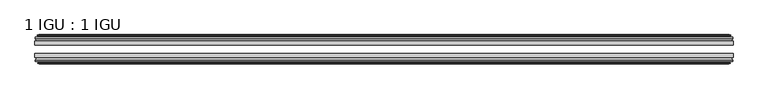
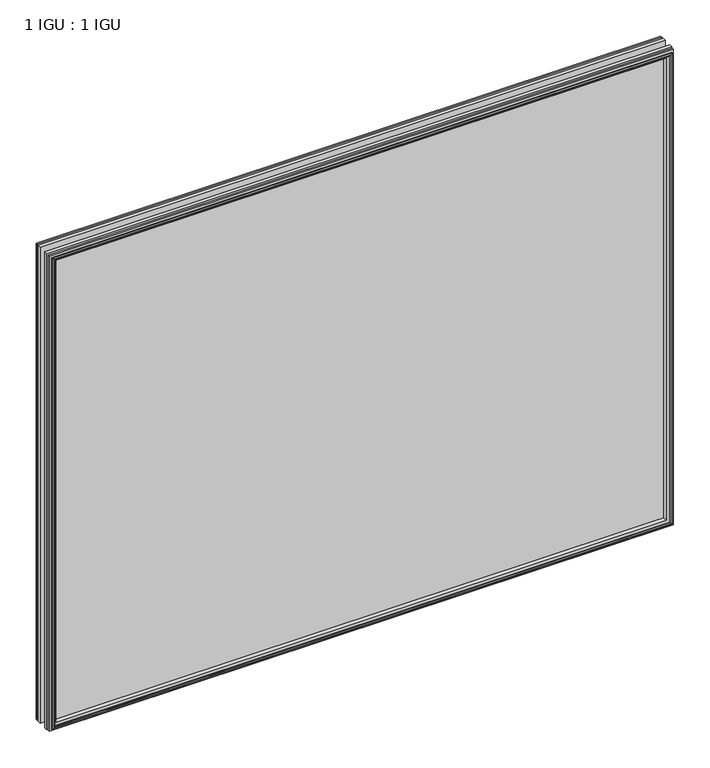
"""IFC4 building model written with IfcOpenShell, lengths in millimetres: plate geometry, 1 IGU : 1 IGU."""

from ifc_helpers import new_model, si_unit, frame, origin, place, context, project, spatial, polyline, outline, extrude, faceted_brep, source, transform, mapped, element, save


def plate_1_igu_1_igu_97aea027(model_context):
    return source(origin(), model_context, "Body", "SolidModel", [
        extrude(outline(polyline([(536.0633952, -19.5460937), (536.0633952, -25.8960938), (-536.0633952, -25.8960938), (-536.0633952, -19.5460937), (536.0633952, -19.5460937)])), frame((0.0, 0.0, -12.7), z_axis=(0.0, 0.0, 1.0), x_axis=(1.0, 0.0, 0.0)), (0.0, 0.0, 1.0), 863.6104046),
        extrude(outline(polyline([(-536.0633952, -44.9460938), (-536.0633952, -38.9186737), (536.0633952, -38.9186737), (536.0633952, -44.9460938), (-536.0633952, -44.9460938)])), frame((0.0, 0.0, -12.7), z_axis=(0.0, 0.0, 1.0), x_axis=(1.0, 0.0, 0.0)), (0.0, 0.0, 1.0), 863.6104046),
        faceted_brep([(-530.4753952, -53.6762907, 845.3224046), (-530.8563952, -51.2960937, 845.7034046), (-530.8563952, -51.2960937, -7.493), (-530.4753952, -53.6762907, -7.112), (-531.8909242, -53.2163575, 846.7379337), (-531.8909242, -53.2163575, -8.5275291), (-531.8909242, -54.0175717, 846.7379337), (-531.8909242, -54.0175717, -8.5275291), (-529.7133952, -54.7250937, 844.5604046), (-529.7133952, -54.7250937, -6.35), (-527.5358661, -54.0175717, 842.3828756), (-527.5358661, -54.0175717, -4.1724709), (-527.5358661, -53.2163575, 842.3828756), (-527.5358661, -53.2163575, -4.1724709), (-528.9513952, -53.6762907, 843.7984046), (-528.9513952, -53.6762907, -5.588), (-528.5703952, -51.2960937, 843.4174046), (-528.5703952, -51.2960937, -5.207), (-521.6456771, -44.9460937, 836.4926865), (-523.3633952, -51.2960937, 838.2104046), (-523.3633952, -51.2960937, 0.0), (-521.6456771, -44.9460937, 1.7177181), (-535.3013952, -48.3496937, 850.1484046), (-532.467053, -44.9460937, 847.3140624), (-532.467053, -44.9460937, -9.1036578), (-535.3013952, -48.3496937, -11.938), (-535.3013952, -51.2960937, 850.1484046), (-535.3013952, -51.2960937, -11.938), (530.8563952, -51.2960938, -7.493), (530.4753952, -53.6762907, -7.112), (531.8909242, -53.2163575, -8.5275291), (531.8909242, -54.0175717, -8.5275291), (529.7133952, -54.7250937, -6.35), (527.5358661, -54.0175717, -4.1724709), (527.5358661, -53.2163575, -4.1724709), (528.9513952, -53.6762907, -5.588), (528.5703952, -51.2960937, -5.207), (523.3633952, -51.2960937, 0.0), (521.6456771, -44.9460937, 1.7177181), (532.467053, -44.9460937, -9.1036578), (535.3013952, -48.3496937, -11.938), (535.3013952, -51.2960938, -11.938), (530.8563952, -51.2960938, 845.7034046), (530.4753952, -53.6762907, 845.3224046), (531.8909242, -53.2163575, 846.7379337), (531.8909242, -54.0175717, 846.7379337), (529.7133952, -54.7250937, 844.5604046), (527.5358661, -54.0175717, 842.3828756), (527.5358661, -53.2163575, 842.3828756), (528.9513952, -53.6762907, 843.7984046), (528.5703952, -51.2960937, 843.4174046), (523.3633952, -51.2960937, 838.2104046), (521.6456771, -44.9460937, 836.4926865), (532.467053, -44.9460937, 847.3140624), (535.3013952, -48.3496937, 850.1484046), (535.3013952, -51.2960938, 850.1484046)], [[[0, 1, 2, 3]], [[4, 0, 3, 5]], [[6, 4, 5, 7]], [[8, 6, 7, 9]], [[10, 8, 9, 11]], [[12, 10, 11, 13]], [[14, 12, 13, 15]], [[16, 14, 15, 17]], [[18, 19, 20, 21]], [[22, 23, 24, 25]], [[26, 22, 25, 27]], [[3, 2, 28, 29]], [[5, 3, 29, 30]], [[7, 5, 30, 31]], [[9, 7, 31, 32]], [[11, 9, 32, 33]], [[13, 11, 33, 34]], [[15, 13, 34, 35]], [[17, 15, 35, 36]], [[21, 20, 37, 38]], [[25, 24, 39, 40]], [[27, 25, 40, 41]], [[29, 28, 42, 43]], [[30, 29, 43, 44]], [[31, 30, 44, 45]], [[32, 31, 45, 46]], [[33, 32, 46, 47]], [[34, 33, 47, 48]], [[35, 34, 48, 49]], [[36, 35, 49, 50]], [[38, 37, 51, 52]], [[40, 39, 53, 54]], [[41, 40, 54, 55]], [[27, 41, 55, 26], [1, 42, 28, 2]], [[43, 42, 1, 0]], [[44, 43, 0, 4]], [[45, 44, 4, 6]], [[46, 45, 6, 8]], [[47, 46, 8, 10]], [[48, 47, 10, 12]], [[49, 48, 12, 14]], [[50, 49, 14, 16]], [[17, 36, 50, 16], [19, 51, 37, 20]], [[52, 51, 19, 18]], [[23, 53, 39, 24], [21, 38, 52, 18]], [[54, 53, 23, 22]], [[55, 54, 22, 26]]]),
        faceted_brep([(-532.987753, -19.5460937, 847.8347624), (-535.8220952, -16.1424937, 850.6691046), (-535.8220952, -16.1424937, -12.4587), (-532.987753, -19.5460937, -9.6243578), (-523.8840952, -13.1960937, 838.7311046), (-522.1663771, -19.5460937, 837.0133865), (-522.1663771, -19.5460937, 1.1970181), (-523.8840952, -13.1960937, -0.5207), (-529.4720952, -10.8158968, 844.3191046), (-529.0910952, -13.1960937, 843.9381046), (-529.0910952, -13.1960937, -5.7277), (-529.4720952, -10.8158968, -6.1087), (-528.0565661, -11.27583, 842.9035756), (-528.0565661, -11.27583, -4.6931709), (-528.0565661, -10.4746158, 842.9035756), (-528.0565661, -10.4746158, -4.6931709), (-530.2340952, -9.7670937, 845.0811046), (-530.2340952, -9.7670937, -6.8707), (-532.4116242, -10.4746158, 847.2586337), (-532.4116242, -10.4746158, -9.0482291), (-532.4116242, -11.27583, 847.2586337), (-532.4116242, -11.27583, -9.0482291), (-530.9960952, -10.8158968, 845.8431046), (-530.9960952, -10.8158968, -7.6327), (-531.3770952, -13.1960937, 846.2241046), (-531.3770952, -13.1960937, -8.0137), (-535.8220952, -13.1960937, 850.6691046), (-535.8220952, -13.1960937, -12.4587), (535.8220952, -16.1424937, -12.4587), (532.987753, -19.5460937, -9.6243578), (522.1663771, -19.5460937, 1.1970181), (523.8840952, -13.1960937, -0.5207), (529.0910952, -13.1960937, -5.7277), (529.4720952, -10.8158968, -6.1087), (528.0565661, -11.27583, -4.6931709), (528.0565661, -10.4746158, -4.6931709), (530.2340952, -9.7670937, -6.8707), (532.4116242, -10.4746158, -9.0482291), (532.4116242, -11.27583, -9.0482291), (530.9960952, -10.8158968, -7.6327), (531.3770952, -13.1960937, -8.0137), (535.8220952, -13.1960937, -12.4587), (535.8220952, -16.1424937, 850.6691046), (532.987753, -19.5460937, 847.8347624), (522.1663771, -19.5460937, 837.0133865), (523.8840952, -13.1960937, 838.7311046), (529.0910952, -13.1960937, 843.9381046), (529.4720952, -10.8158968, 844.3191046), (528.0565661, -11.27583, 842.9035756), (528.0565661, -10.4746158, 842.9035756), (530.2340952, -9.7670937, 845.0811046), (532.4116242, -10.4746158, 847.2586337), (532.4116242, -11.27583, 847.2586337), (530.9960952, -10.8158968, 845.8431046), (531.3770952, -13.1960937, 846.2241046), (535.8220952, -13.1960937, 850.6691046)], [[[0, 1, 2, 3]], [[4, 5, 6, 7]], [[8, 9, 10, 11]], [[12, 8, 11, 13]], [[14, 12, 13, 15]], [[16, 14, 15, 17]], [[18, 16, 17, 19]], [[20, 18, 19, 21]], [[22, 20, 21, 23]], [[24, 22, 23, 25]], [[1, 26, 27, 2]], [[3, 2, 28, 29]], [[7, 6, 30, 31]], [[11, 10, 32, 33]], [[13, 11, 33, 34]], [[15, 13, 34, 35]], [[17, 15, 35, 36]], [[19, 17, 36, 37]], [[21, 19, 37, 38]], [[23, 21, 38, 39]], [[25, 23, 39, 40]], [[2, 27, 41, 28]], [[29, 28, 42, 43]], [[31, 30, 44, 45]], [[33, 32, 46, 47]], [[34, 33, 47, 48]], [[35, 34, 48, 49]], [[36, 35, 49, 50]], [[37, 36, 50, 51]], [[38, 37, 51, 52]], [[39, 38, 52, 53]], [[40, 39, 53, 54]], [[28, 41, 55, 42]], [[43, 42, 1, 0]], [[3, 29, 43, 0], [5, 44, 30, 6]], [[45, 44, 5, 4]], [[9, 46, 32, 10], [7, 31, 45, 4]], [[47, 46, 9, 8]], [[48, 47, 8, 12]], [[49, 48, 12, 14]], [[50, 49, 14, 16]], [[51, 50, 16, 18]], [[52, 51, 18, 20]], [[53, 52, 20, 22]], [[54, 53, 22, 24]], [[26, 55, 41, 27], [25, 40, 54, 24]], [[42, 55, 26, 1]]]),
    ])


if __name__ == "__main__":
    model = new_model("IFC4")
    model_context = context("Model", 3, world=origin())
    ifc_project = project(units=[si_unit("LENGTHUNIT", "METRE", prefix="MILLI")], contexts=[model_context])
    site = spatial("IfcSite", under=ifc_project)
    building = spatial("IfcBuilding", under=site)
    placement = place(None, origin())
    plate_1_igu_1_igu_shape = plate_1_igu_1_igu_97aea027(model_context)
    element("IfcPlate", 1, ObjectType="1 IGU : 1 IGU", at=placement, inside=building, context=model_context, shape_type="MappedRepresentation", body=[
        mapped(plate_1_igu_1_igu_shape, transform((0.0, 0.0, 0.0), x_axis=(1.0, 0.0, 0.0), y_axis=(0.0, 1.0, 0.0), z_axis=(0.0, 0.0, 1.0))),
    ])
    save(model, "model.ifc")
